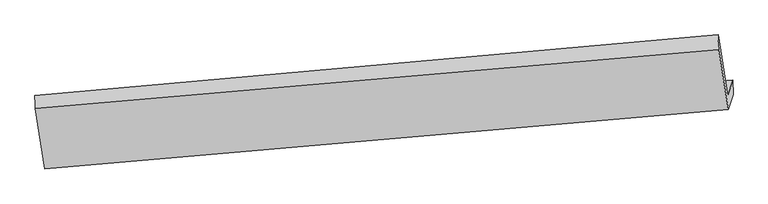
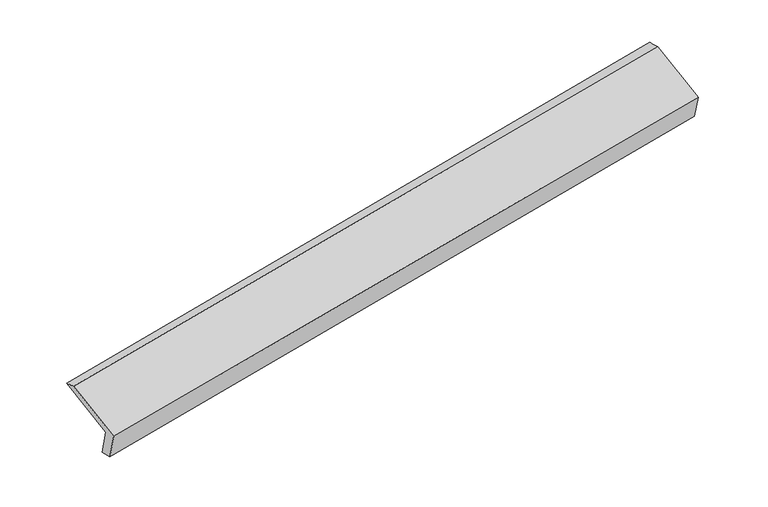
"""IFC4 building model written with IfcOpenShell, lengths in millimetres: proxy geometry."""

from ifc_helpers import new_model, si_unit, frame, origin, place, context, project, spatial, source, transform, mapped, element, save
from ifc_brep_helpers import plane_surface, spline_surface, advanced_brep


def generic_models_8e5e9e9c(model_context):
    return source(origin(), model_context, "Body", "AdvancedBrep", [
        advanced_brep(
        [(-6280.8395633, -1832.4229418, 956.0324628), (-6330.6999716, -1991.8435152, 1308.4869067), (635.8321386, -1388.2964307, 2567.0097185), (685.6925469, -1228.8758572, 2214.5552746), (-6274.3585423, -1974.5546027, 986.4392307), (689.616835, -1379.1822573, 2263.0351374), (-6325.2927167, -2137.4083694, 1346.4839384), (641.2393934, -1533.8612848, 2605.0067503), (-6424.2842508, -1522.8300651, 1610.4632101), (542.2478594, -919.2829806, 2868.986022), (-6427.4944728, -1390.9052534, 1566.6073831), (536.109582, -769.1796521, 2832.938397)],
        [
            (0, 1),
            (1, 2),
            (2, 3),
            (3, 0),
            (4, 0),
            (3, 5),
            (5, 4),
            (6, 4),
            (5, 7),
            (7, 6),
            (8, 6),
            (7, 9),
            (9, 8),
            (10, 8),
            (9, 11),
            (11, 10),
            (1, 10),
            (11, 2),
        ],
        [
            plane_surface(frame((-6305.7697674, -1912.1332285, 1132.2596847), z_axis=(-0.14916343251035996, 0.9086903186660176, 0.38991303538658323), x_axis=(-0.1278366470841595, -0.408736957489714, 0.9036547411729392))),
            spline_surface(1, 1, [[(-6274.3585423, -1974.5546027, 986.4392307), (689.616835, -1379.1822573, 2263.0351374)], [(-6280.8395633, -1832.4229418, 956.0324628), (685.6925469, -1228.8758572, 2214.5552746)]], [2, 2], [2, 2], [0.0, 1.0], [0.0, 1.0]),
            plane_surface(frame((-6299.8256295, -2055.981486, 1166.4615846), z_axis=(0.14916343251035727, -0.9086903186660178, -0.3899130353865835), x_axis=(0.12783664708415984, 0.40873695748971384, -0.9036547411729393))),
            plane_surface(frame((-6374.7884838, -1830.1192172, 1478.4735743), z_axis=(-0.12783664708415987, -0.4087369574897154, 0.9036547411729388), x_axis=(0.14640276508356906, -0.908925838358394, -0.39041010583792024))),
            spline_surface(1, 1, [[(-6427.4944728, -1390.9052534, 1566.6073831), (536.109582, -769.1796521, 2832.938397)], [(-6424.2842508, -1522.8300651, 1610.4632101), (542.2478594, -919.2829806, 2868.986022)]], [2, 2], [2, 2], [0.0, 1.0], [0.0, 1.0]),
            plane_surface(frame((-6379.0972222, -1691.3743843, 1437.5471449), z_axis=(0.12783664708416023, 0.40873695748971683, -0.903654741172938), x_axis=(-0.14640276508357233, 0.908925838358393, 0.3904101058379211))),
            plane_surface(frame((621.7897259, -1203.1130771, 2558.58855), z_axis=(0.9809301820405801, 0.08238883387050354, 0.17603425239223547), x_axis=(0.14640276508356906, -0.908925838358394, -0.39041010583792024))),
            plane_surface(frame((-6343.8282529, -1808.3274579, 1295.7521886), z_axis=(-0.9809301820405785, -0.08238883387051477, -0.17603425239223847), x_axis=(0.12783664708415815, 0.40873695748971406, -0.9036547411729394))),
        ],
        [
            (0, [[1, 2, 3, 4]]),
            (1, [[5, -4, 6, 7]]),
            (2, [[8, -7, 9, 10]]),
            (3, [[11, -10, 12, 13]]),
            (4, [[14, -13, 15, 16]]),
            (5, [[17, -16, 18, -2]]),
            (6, [[-12, -9, -6, -3, -18, -15]]),
            (7, [[-1, -5, -8, -11, -14, -17]]),
        ],
    ),
    ])


if __name__ == "__main__":
    model = new_model("IFC4")
    model_context = context("Model", 3, world=origin())
    ifc_project = project(units=[si_unit("LENGTHUNIT", "METRE", prefix="MILLI")], contexts=[model_context])
    site = spatial("IfcSite", under=ifc_project)
    building = spatial("IfcBuilding", under=site)
    placement = place(None, origin())
    generic_models_shape = generic_models_8e5e9e9c(model_context)
    element("IfcBuildingElementProxy", 1, Name="Generic Models", at=placement, inside=building, context=model_context, shape_type="MappedRepresentation", body=[
        mapped(generic_models_shape, transform((0.0, 0.0, 0.0), x_axis=(1.0, 0.0, 0.0), y_axis=(0.0, 1.0, 0.0), z_axis=(0.0, 0.0, 1.0))),
    ])
    save(model, "model.ifc")
